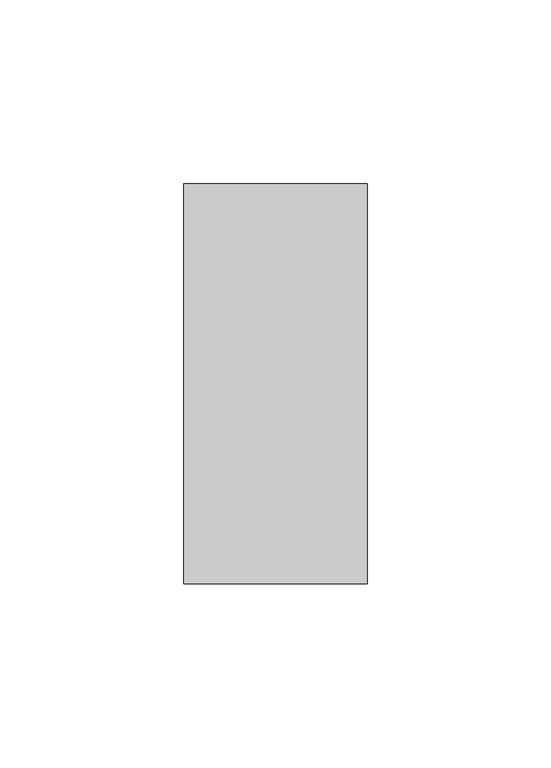
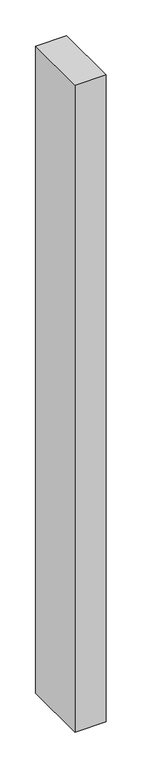
"""IFC4 building model written with IfcOpenShell, lengths in millimetres: member geometry."""

from ifc_helpers import new_model, si_unit, frame, origin, place, context, project, spatial, polyline, outline, extrude, source, transform, mapped, element, save


def member_d83d92ad(model_context):
    return source(origin(), model_context, "Body", "SweptSolid", [
        extrude(outline(polyline([(0.0, -18.0), (-50.0, -18.0), (-50.0, 91.0), (0.0, 91.0), (0.0, -18.0)])), frame((0.0, 0.0, -1099.9999997), z_axis=(0.0, 0.0, 1.0), x_axis=(1.0, 0.0, 0.0)), (0.0, 0.0, 1.0), 1099.9999997),
    ])


if __name__ == "__main__":
    model = new_model("IFC4")
    model_context = context("Model", 3, world=origin())
    ifc_project = project(units=[si_unit("LENGTHUNIT", "METRE", prefix="MILLI")], contexts=[model_context])
    site = spatial("IfcSite", under=ifc_project)
    building = spatial("IfcBuilding", under=site)
    placement = place(None, origin())
    member_shape = member_d83d92ad(model_context)
    element("IfcMember", 1, at=placement, inside=building, context=model_context, shape_type="MappedRepresentation", body=[
        mapped(member_shape, transform((0.0, 0.0, 0.0), x_axis=(1.0, 0.0, 0.0), y_axis=(0.0, 1.0, 0.0), z_axis=(0.0, 0.0, 1.0))),
    ])
    save(model, "model.ifc")
